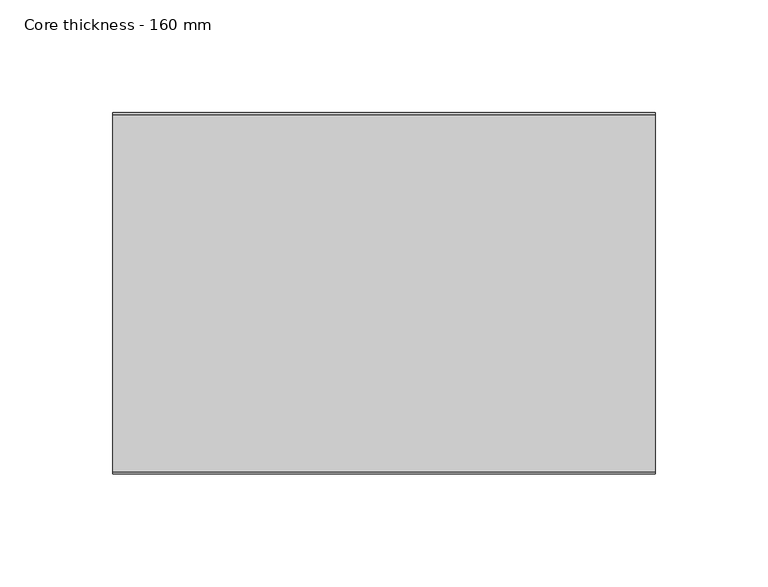
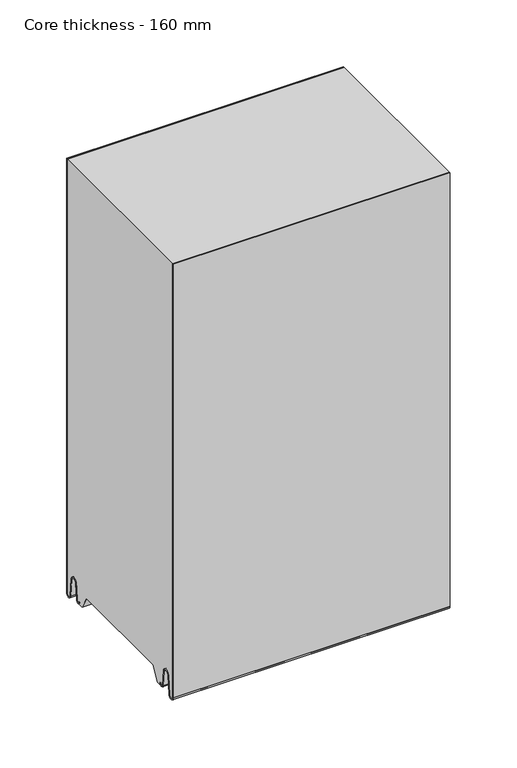
"""IFC4 building model written with IfcOpenShell, lengths in millimetres: plate geometry, Core thickness - 160 mm."""

from ifc_helpers import new_model, si_unit, frame, origin, place, context, project, spatial, polyline, circle_curve, source, transform, mapped, element, save
from ifc_brep_helpers import plane_surface, cylinder_surface, revolved_surface, advanced_brep


def core_thickness_160_mm_0a4e4643(model_context):
    return source(origin(), model_context, "Body", "AdvancedBrep", [
        advanced_brep(
        [(119.9999998, -159.9996949, 2.9900682), (119.9999998, -153.81449, 2.6875612), (119.9999998, -152.197116, 19.1828169), (119.9999998, -149.1776715, 21.8898782), (119.9999998, -146.1582271, 19.1828169), (119.9999998, -144.7725998, 5.0510966), (119.9999998, -140.3830995, 5.265779), (119.9999998, -141.1830995, 5.265779), (119.9999998, -143.9764178, 5.1291629), (119.9999998, -145.3620451, 19.2608832), (119.9999998, -149.1776715, 22.6899182), (119.9999998, -152.9932979, 19.2608832), (119.9999998, -154.6106719, 2.7656275), (119.9999998, -159.1996949, 2.9900682), (119.9999998, -159.2, 400.0), (119.9999998, -159.9996949, 400.0), (-119.9999998, -159.1996949, 2.9900682), (-119.9999998, -154.6106719, 2.7656275), (-119.9999998, -152.9932979, 19.2608832), (-119.9999998, -149.1776715, 22.6899182), (-119.9999998, -145.3620451, 19.2608832), (-119.9999998, -143.9764178, 5.1291629), (-119.9999998, -141.1830995, 5.265779), (-119.9999998, -140.3830995, 5.265779), (-119.9999998, -144.7725998, 5.0510966), (-119.9999998, -146.1582271, 19.1828169), (-119.9999998, -149.1776715, 21.8898782), (-119.9999998, -152.197116, 19.1828169), (-119.9999998, -153.81449, 2.6875612), (-119.9999998, -159.9996949, 2.9900682), (-119.9999998, -159.9996949, 400.0), (-119.9999998, -159.2, 400.0)],
        [
            (0, 1, circle_curve(frame((119.9999998, -156.8996949, 2.9900682), z_axis=(1.0, 0.0, 0.0), x_axis=(0.0, 0.0, -1.0)), 3.1)),
            (1, 2),
            (2, 3, circle_curve(frame((119.9999998, -149.2114338, 18.8900682), z_axis=(-1.0, 0.0, 0.0), x_axis=(0.0, 0.0, -1.0)), 3.0)),
            (3, 4, circle_curve(frame((119.9999998, -149.1439093, 18.8900682), z_axis=(-1.0, 0.0, 0.0), x_axis=(0.0, 0.0, -1.0)), 3.0)),
            (4, 5),
            (5, 6, circle_curve(frame((119.9999998, -142.5830995, 5.265779), z_axis=(1.0, 0.0, 0.0), x_axis=(0.0, 0.0, -1.0)), 2.2)),
            (6, 7),
            (7, 8, circle_curve(frame((119.9999998, -142.5830995, 5.265779), z_axis=(-1.0, 0.0, 0.0), x_axis=(0.0, 0.0, -1.0)), 1.4)),
            (8, 9),
            (9, 10, circle_curve(frame((119.9999998, -149.1439093, 18.8900682), z_axis=(1.0, 0.0, 0.0), x_axis=(0.0, 0.0, -1.0)), 3.8)),
            (10, 11, circle_curve(frame((119.9999998, -149.2114338, 18.8900682), z_axis=(1.0, 0.0, 0.0), x_axis=(0.0, 0.0, -1.0)), 3.8)),
            (11, 12),
            (12, 13, circle_curve(frame((119.9999998, -156.8996949, 2.9900682), z_axis=(-1.0, 0.0, 0.0), x_axis=(0.0, 0.0, -1.0)), 2.3)),
            (13, 14),
            (14, 15),
            (15, 0),
            (16, 17, circle_curve(frame((-119.9999998, -156.8996949, 2.9900682), z_axis=(1.0, 0.0, 0.0), x_axis=(0.0, 0.0, -1.0)), 2.3)),
            (17, 18),
            (18, 19, circle_curve(frame((-119.9999998, -149.2114338, 18.8900682), z_axis=(-1.0, 0.0, 0.0), x_axis=(0.0, 0.0, -1.0)), 3.8)),
            (19, 20, circle_curve(frame((-119.9999998, -149.1439093, 18.8900682), z_axis=(-1.0, 0.0, 0.0), x_axis=(0.0, 0.0, -1.0)), 3.8)),
            (20, 21),
            (21, 22, circle_curve(frame((-119.9999998, -142.5830995, 5.265779), z_axis=(1.0, 0.0, 0.0), x_axis=(0.0, 0.0, -1.0)), 1.4)),
            (22, 23),
            (23, 24, circle_curve(frame((-119.9999998, -142.5830995, 5.265779), z_axis=(-1.0, 0.0, 0.0), x_axis=(0.0, 0.0, -1.0)), 2.2)),
            (24, 25),
            (25, 26, circle_curve(frame((-119.9999998, -149.1439093, 18.8900682), z_axis=(1.0, 0.0, 0.0), x_axis=(0.0, 0.0, -1.0)), 3.0)),
            (26, 27, circle_curve(frame((-119.9999998, -149.2114338, 18.8900682), z_axis=(1.0, 0.0, 0.0), x_axis=(0.0, 0.0, -1.0)), 3.0)),
            (27, 28),
            (28, 29, circle_curve(frame((-119.9999998, -156.8996949, 2.9900682), z_axis=(-1.0, 0.0, 0.0), x_axis=(0.0, 0.0, -1.0)), 3.1)),
            (29, 30),
            (30, 31),
            (31, 16),
            (13, 16),
            (31, 14),
            (29, 0),
            (15, 30),
            (12, 17),
            (11, 18),
            (10, 19),
            (9, 20),
            (8, 21),
            (7, 22),
            (6, 23),
            (5, 24),
            (4, 25),
            (3, 26),
            (2, 27),
            (1, 28),
        ],
        [
            plane_surface(frame((119.9999998, -160.0, 0.0), z_axis=(1.0, 0.0, 0.0), x_axis=(0.0, 1.0, 0.0))),
            plane_surface(frame((-119.9999998, -160.0, 0.0), z_axis=(-1.0, 0.0, 0.0), x_axis=(0.0, 1.0, 0.0))),
            plane_surface(frame((119.9999998, -159.2, 2.9900682), z_axis=(0.0, 1.0, 0.0), x_axis=(-1.0, 0.0, 0.0))),
            plane_surface(frame((119.9999998, -159.9996949, 1093.8000005), z_axis=(0.0, -1.0, 0.0), x_axis=(-1.0, 0.0, 0.0))),
            revolved_surface(polyline([(-119.9999998, -156.8996949, 0.6900682000000002), (119.9999998, -156.8996949, 0.6900682000000002)]), (119.9999998, -156.8996949, 2.9900682), (-1.0, 0.0, 0.0)),
            plane_surface(frame((119.9999998, -152.9932979, 19.2608832), z_axis=(0.0, -0.9952273999818314, 0.09758289975914787), x_axis=(-1.0, 0.0, 0.0))),
            cylinder_surface(frame((119.9999998, -149.2114338, 18.8900682), z_axis=(1.0, 0.0, 0.0), x_axis=(0.0, 0.0, -1.0)), 3.8),
            cylinder_surface(frame((119.9999998, -149.1439093, 18.8900682), z_axis=(1.0, 0.0, 0.0), x_axis=(0.0, 0.0, -1.0)), 3.8),
            plane_surface(frame((119.9999998, -143.9764178, 5.1291629), z_axis=(0.0, 0.9952273999818297, 0.09758289975916531), x_axis=(-1.0, 0.0, 0.0))),
            revolved_surface(polyline([(-119.9999998, -142.5830995, 3.8657790000000003), (119.9999998, -142.5830995, 3.8657790000000003)]), (119.9999998, -142.5830995, 5.265779), (-1.0, 0.0, 0.0)),
            plane_surface(frame((119.9999998, -140.3830995, 5.265779), z_axis=(0.0, 0.0, 1.0), x_axis=(-1.0, 0.0, 0.0))),
            cylinder_surface(frame((119.9999998, -142.5830995, 5.265779), z_axis=(1.0, 0.0, 0.0), x_axis=(0.0, 0.0, -1.0)), 2.2),
            plane_surface(frame((119.9999998, -146.1582271, 19.1828169), z_axis=(0.0, -0.9952273999818296, -0.09758289975916527), x_axis=(-1.0, 0.0, 0.0))),
            revolved_surface(polyline([(-119.9999998, -149.1439093, 15.890068200000002), (119.9999998, -149.1439093, 15.890068200000002)]), (119.9999998, -149.1439093, 18.8900682), (-1.0, 0.0, 0.0)),
            revolved_surface(polyline([(-119.9999998, -149.2114338, 15.890068200000002), (119.9999998, -149.2114338, 15.890068200000002)]), (119.9999998, -149.2114338, 18.8900682), (-1.0, 0.0, 0.0)),
            plane_surface(frame((119.9999998, -153.81449, 2.6875612), z_axis=(0.0, 0.9952273999818314, -0.09758289975914787), x_axis=(-1.0, 0.0, 0.0))),
            cylinder_surface(frame((119.9999998, -156.8996949, 2.9900682), z_axis=(1.0, 0.0, 0.0), x_axis=(0.0, 0.0, -1.0)), 3.1),
            plane_surface(frame((-119.9999998, 134.0533409, 400.0), z_axis=(0.0, 0.0, 1.0), x_axis=(1.0, 0.0, 0.0))),
        ],
        [
            (0, [[1, 2, 3, 4, 5, 6, 7, 8, 9, 10, 11, 12, 13, 14, 15, 16]]),
            (1, [[17, 18, 19, 20, 21, 22, 23, 24, 25, 26, 27, 28, 29, 30, 31, 32]]),
            (2, [[33, -32, 34, -14]]),
            (3, [[35, -16, 36, -30]]),
            (4, [[-13, 37, -17, -33]]),
            (5, [[-12, 38, -18, -37]]),
            (6, [[-11, 39, -19, -38]]),
            (7, [[-10, 40, -20, -39]]),
            (8, [[-9, 41, -21, -40]]),
            (9, [[-8, 42, -22, -41]]),
            (10, [[-7, 43, -23, -42]]),
            (11, [[-6, 44, -24, -43]]),
            (12, [[-5, 45, -25, -44]]),
            (13, [[-4, 46, -26, -45]]),
            (14, [[-3, 47, -27, -46]]),
            (15, [[-2, 48, -28, -47]]),
            (16, [[-1, -35, -29, -48]]),
            (17, [[-15, -34, -31, -36]]),
        ],
    ),
        advanced_brep(
        [(119.9999998, -0.8003051, 2.9900682), (119.9999998, -5.3893281, 2.7656275), (119.9999998, -7.0067021, 19.2608832), (119.9999998, -10.8223285, 22.6899182), (119.9999998, -14.6379549, 19.2608832), (119.9999998, -16.0235822, 5.1291629), (119.9999998, -18.8169005, 5.265779), (119.9999998, -19.6169005, 5.265779), (119.9999998, -15.2274002, 5.0510966), (119.9999998, -13.8417729, 19.1828169), (119.9999998, -10.8223285, 21.8898782), (119.9999998, -7.802884, 19.1828169), (119.9999998, -6.18551, 2.6875612), (119.9999998, -0.0003051, 2.9900682), (119.9999998, -0.0003051, 400.0), (119.9999998, -0.8, 400.0), (-119.9999998, -0.0003051, 2.9900682), (-119.9999998, -6.18551, 2.6875612), (-119.9999998, -7.802884, 19.1828169), (-119.9999998, -10.8223285, 21.8898782), (-119.9999998, -13.8417729, 19.1828169), (-119.9999998, -15.2274002, 5.0510966), (-119.9999998, -19.6169005, 5.265779), (-119.9999998, -18.8169005, 5.265779), (-119.9999998, -16.0235822, 5.1291629), (-119.9999998, -14.6379549, 19.2608832), (-119.9999998, -10.8223285, 22.6899182), (-119.9999998, -7.0067021, 19.2608832), (-119.9999998, -5.3893281, 2.7656275), (-119.9999998, -0.8003051, 2.9900682), (-119.9999998, -0.8, 400.0), (-119.9999998, -0.0003051, 400.0)],
        [
            (0, 1, circle_curve(frame((119.9999998, -3.1003051, 2.9900682), z_axis=(-1.0, 0.0, 0.0), x_axis=(0.0, 0.0, -1.0)), 2.3)),
            (1, 2),
            (2, 3, circle_curve(frame((119.9999998, -10.7885662, 18.8900682), z_axis=(1.0, 0.0, 0.0), x_axis=(0.0, 0.0, -1.0)), 3.8)),
            (3, 4, circle_curve(frame((119.9999998, -10.8560907, 18.8900682), z_axis=(1.0, 0.0, 0.0), x_axis=(0.0, 0.0, -1.0)), 3.8)),
            (4, 5),
            (5, 6, circle_curve(frame((119.9999998, -17.4169005, 5.265779), z_axis=(-1.0, 0.0, 0.0), x_axis=(0.0, 0.0, -1.0)), 1.4)),
            (6, 7),
            (7, 8, circle_curve(frame((119.9999998, -17.4169005, 5.265779), z_axis=(1.0, 0.0, 0.0), x_axis=(0.0, 0.0, -1.0)), 2.2)),
            (8, 9),
            (9, 10, circle_curve(frame((119.9999998, -10.8560907, 18.8900682), z_axis=(-1.0, 0.0, 0.0), x_axis=(0.0, 0.0, -1.0)), 3.0)),
            (10, 11, circle_curve(frame((119.9999998, -10.7885662, 18.8900682), z_axis=(-1.0, 0.0, 0.0), x_axis=(0.0, 0.0, -1.0)), 3.0)),
            (11, 12),
            (12, 13, circle_curve(frame((119.9999998, -3.1003051, 2.9900682), z_axis=(1.0, 0.0, 0.0), x_axis=(0.0, 0.0, -1.0)), 3.1)),
            (13, 14),
            (14, 15),
            (15, 0),
            (16, 17, circle_curve(frame((-119.9999998, -3.1003051, 2.9900682), z_axis=(-1.0, 0.0, 0.0), x_axis=(0.0, 0.0, -1.0)), 3.1)),
            (17, 18),
            (18, 19, circle_curve(frame((-119.9999998, -10.7885662, 18.8900682), z_axis=(1.0, 0.0, 0.0), x_axis=(0.0, 0.0, -1.0)), 3.0)),
            (19, 20, circle_curve(frame((-119.9999998, -10.8560907, 18.8900682), z_axis=(1.0, 0.0, 0.0), x_axis=(0.0, 0.0, -1.0)), 3.0)),
            (20, 21),
            (21, 22, circle_curve(frame((-119.9999998, -17.4169005, 5.265779), z_axis=(-1.0, 0.0, 0.0), x_axis=(0.0, 0.0, -1.0)), 2.2)),
            (22, 23),
            (23, 24, circle_curve(frame((-119.9999998, -17.4169005, 5.265779), z_axis=(1.0, 0.0, 0.0), x_axis=(0.0, 0.0, -1.0)), 1.4)),
            (24, 25),
            (25, 26, circle_curve(frame((-119.9999998, -10.8560907, 18.8900682), z_axis=(-1.0, 0.0, 0.0), x_axis=(0.0, 0.0, -1.0)), 3.8)),
            (26, 27, circle_curve(frame((-119.9999998, -10.7885662, 18.8900682), z_axis=(-1.0, 0.0, 0.0), x_axis=(0.0, 0.0, -1.0)), 3.8)),
            (27, 28),
            (28, 29, circle_curve(frame((-119.9999998, -3.1003051, 2.9900682), z_axis=(1.0, 0.0, 0.0), x_axis=(0.0, 0.0, -1.0)), 2.3)),
            (29, 30),
            (30, 31),
            (31, 16),
            (13, 16),
            (31, 14),
            (29, 0),
            (15, 30),
            (12, 17),
            (11, 18),
            (10, 19),
            (9, 20),
            (8, 21),
            (7, 22),
            (6, 23),
            (5, 24),
            (4, 25),
            (3, 26),
            (2, 27),
            (1, 28),
        ],
        [
            plane_surface(frame((119.9999998, 0.0, 0.0), z_axis=(1.0, 0.0, 0.0), x_axis=(0.0, -1.0, 0.0))),
            plane_surface(frame((-119.9999998, 0.0, 0.0), z_axis=(-1.0, 0.0, 0.0), x_axis=(0.0, -1.0, 0.0))),
            plane_surface(frame((119.9999998, -0.0003051, 2.9900682), z_axis=(0.0, 1.0, 0.0), x_axis=(-1.0, 0.0, 0.0))),
            plane_surface(frame((119.9999998, -0.8, 1093.8000005), z_axis=(0.0, -1.0, 0.0), x_axis=(-1.0, 0.0, 0.0))),
            cylinder_surface(frame((119.9999998, -3.1003051, 2.9900682), z_axis=(1.0, 0.0, 0.0), x_axis=(0.0, 0.0, -1.0)), 3.1),
            plane_surface(frame((119.9999998, -7.802884, 19.1828169), z_axis=(0.0, -0.9952273999818314, -0.09758289975914787), x_axis=(-1.0, 0.0, 0.0))),
            revolved_surface(polyline([(-119.9999998, -10.7885662, 15.890068200000002), (119.9999998, -10.7885662, 15.890068200000002)]), (119.9999998, -10.7885662, 18.8900682), (-1.0, 0.0, 0.0)),
            revolved_surface(polyline([(-119.9999998, -10.8560907, 15.890068200000002), (119.9999998, -10.8560907, 15.890068200000002)]), (119.9999998, -10.8560907, 18.8900682), (-1.0, 0.0, 0.0)),
            plane_surface(frame((119.9999998, -15.2274002, 5.0510966), z_axis=(0.0, 0.9952273999818296, -0.09758289975916527), x_axis=(-1.0, 0.0, 0.0))),
            cylinder_surface(frame((119.9999998, -17.4169005, 5.265779), z_axis=(1.0, 0.0, 0.0), x_axis=(0.0, 0.0, -1.0)), 2.2),
            plane_surface(frame((119.9999998, -18.8169005, 5.265779), z_axis=(0.0, 0.0, 1.0), x_axis=(-1.0, 0.0, 0.0))),
            revolved_surface(polyline([(-119.9999998, -17.4169005, 3.8657790000000003), (119.9999998, -17.4169005, 3.8657790000000003)]), (119.9999998, -17.4169005, 5.265779), (-1.0, 0.0, 0.0)),
            plane_surface(frame((119.9999998, -14.6379549, 19.2608832), z_axis=(0.0, -0.9952273999818297, 0.09758289975916531), x_axis=(-1.0, 0.0, 0.0))),
            cylinder_surface(frame((119.9999998, -10.8560907, 18.8900682), z_axis=(1.0, 0.0, 0.0), x_axis=(0.0, 0.0, -1.0)), 3.8),
            cylinder_surface(frame((119.9999998, -10.7885662, 18.8900682), z_axis=(1.0, 0.0, 0.0), x_axis=(0.0, 0.0, -1.0)), 3.8),
            plane_surface(frame((119.9999998, -5.3893281, 2.7656275), z_axis=(0.0, 0.9952273999818314, 0.09758289975914787), x_axis=(-1.0, 0.0, 0.0))),
            revolved_surface(polyline([(-119.9999998, -3.1003051, 0.6900682000000002), (119.9999998, -3.1003051, 0.6900682000000002)]), (119.9999998, -3.1003051, 2.9900682), (-1.0, 0.0, 0.0)),
            plane_surface(frame((-119.9999998, 134.0533409, 400.0), z_axis=(0.0, 0.0, 1.0), x_axis=(1.0, 0.0, 0.0))),
        ],
        [
            (0, [[1, 2, 3, 4, 5, 6, 7, 8, 9, 10, 11, 12, 13, 14, 15, 16]]),
            (1, [[17, 18, 19, 20, 21, 22, 23, 24, 25, 26, 27, 28, 29, 30, 31, 32]]),
            (2, [[33, -32, 34, -14]]),
            (3, [[35, -16, 36, -30]]),
            (4, [[-13, 37, -17, -33]]),
            (5, [[-12, 38, -18, -37]]),
            (6, [[-11, 39, -19, -38]]),
            (7, [[-10, 40, -20, -39]]),
            (8, [[-9, 41, -21, -40]]),
            (9, [[-8, 42, -22, -41]]),
            (10, [[-7, 43, -23, -42]]),
            (11, [[-6, 44, -24, -43]]),
            (12, [[-5, 45, -25, -44]]),
            (13, [[-4, 46, -26, -45]]),
            (14, [[-3, 47, -27, -46]]),
            (15, [[-2, 48, -28, -47]]),
            (16, [[-1, -35, -29, -48]]),
            (17, [[-15, -34, -31, -36]]),
        ],
    ),
        advanced_brep(
        [(119.9999998, -129.873448, 15.0417681), (119.9999998, -30.126552, 15.0417681), (119.9999998, -23.4086055, 3.0684055), (119.9999998, -17.4169005, 3.0684055), (119.9999998, -19.6169005, 5.265779), (119.9999998, -18.8169005, 5.265779), (119.9999998, -16.0235822, 5.1291629), (119.9999998, -14.6379549, 19.2608832), (119.9999998, -10.8223285, 22.6899182), (119.9999998, -7.0067021, 19.2608832), (119.9999998, -5.3893281, 2.7656275), (119.9999998, -0.8003051, 2.9900682), (119.9999998, -0.8, 400.0), (119.9999998, -159.2, 400.0), (119.9999998, -159.2, 2.9900682), (119.9999998, -154.6106719, 2.7656275), (119.9999998, -152.9932979, 19.2608832), (119.9999998, -149.1776715, 22.6899182), (119.9999998, -145.3620451, 19.2608832), (119.9999998, -143.9764178, 5.1291629), (119.9999998, -141.1830995, 5.265779), (119.9999998, -140.3830995, 5.265779), (119.9999998, -142.5830995, 3.065779), (119.9999998, -136.5913945, 3.0684055), (-119.9999998, -30.126552, 15.0417681), (-119.9999998, -129.873448, 15.0417681), (-119.9999998, -136.5913945, 3.0684055), (-119.9999998, -142.5830995, 3.0684055), (-119.9999998, -140.3830995, 5.265779), (-119.9999998, -141.1830995, 5.265779), (-119.9999998, -143.9764178, 5.1291629), (-119.9999998, -145.3620451, 19.2608832), (-119.9999998, -149.1776715, 22.6899182), (-119.9999998, -152.9932979, 19.2608832), (-119.9999998, -154.6106719, 2.7656275), (-119.9999998, -159.1996949, 2.9900682), (-119.9999998, -159.2, 400.0), (-119.9999998, -0.8, 400.0), (-119.9999998, -0.8, 2.9900682), (-119.9999998, -5.3893281, 2.7656275), (-119.9999998, -7.0067021, 19.2608832), (-119.9999998, -10.8223285, 22.6899182), (-119.9999998, -14.6379549, 19.2608832), (-119.9999998, -16.0235822, 5.1291629), (-119.9999998, -18.8169005, 5.265779), (-119.9999998, -19.6169005, 5.265779), (-119.9999998, -17.4169005, 3.065779), (-119.9999998, -23.4086055, 3.0684055)],
        [
            (0, 1),
            (1, 2),
            (2, 3),
            (3, 4, circle_curve(frame((119.9999998, -17.4169005, 5.265779), z_axis=(-1.0, 0.0, 0.0), x_axis=(0.0, 0.0, -1.0)), 2.2)),
            (4, 5),
            (5, 6, circle_curve(frame((119.9999998, -17.4169005, 5.265779), z_axis=(1.0, 0.0, 0.0), x_axis=(0.0, 0.0, -1.0)), 1.4)),
            (6, 7),
            (7, 8, circle_curve(frame((119.9999998, -10.8560907, 18.8900682), z_axis=(-1.0, 0.0, 0.0), x_axis=(0.0, 0.0, -1.0)), 3.8)),
            (8, 9, circle_curve(frame((119.9999998, -10.7885662, 18.8900682), z_axis=(-1.0, 0.0, 0.0), x_axis=(0.0, 0.0, -1.0)), 3.8)),
            (9, 10),
            (10, 11, circle_curve(frame((119.9999998, -3.1003051, 2.9900682), z_axis=(1.0, 0.0, 0.0), x_axis=(0.0, 0.0, -1.0)), 2.3)),
            (11, 12),
            (12, 13),
            (13, 14),
            (14, 15, circle_curve(frame((119.9999998, -156.8996949, 2.9900682), z_axis=(1.0, 0.0, 0.0), x_axis=(0.0, 0.0, -1.0)), 2.3)),
            (15, 16),
            (16, 17, circle_curve(frame((119.9999998, -149.2114338, 18.8900682), z_axis=(-1.0, 0.0, 0.0), x_axis=(0.0, 0.0, -1.0)), 3.8)),
            (17, 18, circle_curve(frame((119.9999998, -149.1439093, 18.8900682), z_axis=(-1.0, 0.0, 0.0), x_axis=(0.0, 0.0, -1.0)), 3.8)),
            (18, 19),
            (19, 20, circle_curve(frame((119.9999998, -142.5830995, 5.265779), z_axis=(1.0, 0.0, 0.0), x_axis=(0.0, 0.0, -1.0)), 1.4)),
            (20, 21),
            (21, 22, circle_curve(frame((119.9999998, -142.5830995, 5.265779), z_axis=(-1.0, 0.0, 0.0), x_axis=(0.0, 0.0, -1.0)), 2.2)),
            (22, 23),
            (23, 0),
            (24, 25),
            (25, 26),
            (26, 27),
            (27, 28, circle_curve(frame((-119.9999998, -142.5830995, 5.265779), z_axis=(1.0, 0.0, 0.0), x_axis=(0.0, 0.0, -1.0)), 2.2)),
            (28, 29),
            (29, 30, circle_curve(frame((-119.9999998, -142.5830995, 5.265779), z_axis=(-1.0, 0.0, 0.0), x_axis=(0.0, 0.0, -1.0)), 1.4)),
            (30, 31),
            (31, 32, circle_curve(frame((-119.9999998, -149.1439093, 18.8900682), z_axis=(1.0, 0.0, 0.0), x_axis=(0.0, 0.0, -1.0)), 3.8)),
            (32, 33, circle_curve(frame((-119.9999998, -149.2114338, 18.8900682), z_axis=(1.0, 0.0, 0.0), x_axis=(0.0, 0.0, -1.0)), 3.8)),
            (33, 34),
            (34, 35, circle_curve(frame((-119.9999998, -156.8996949, 2.9900682), z_axis=(-1.0, 0.0, 0.0), x_axis=(0.0, 0.0, -1.0)), 2.3)),
            (35, 36),
            (36, 37),
            (37, 38),
            (38, 39, circle_curve(frame((-119.9999998, -3.1003051, 2.9900682), z_axis=(-1.0, 0.0, 0.0), x_axis=(0.0, 0.0, -1.0)), 2.3)),
            (39, 40),
            (40, 41, circle_curve(frame((-119.9999998, -10.7885662, 18.8900682), z_axis=(1.0, 0.0, 0.0), x_axis=(0.0, 0.0, -1.0)), 3.8)),
            (41, 42, circle_curve(frame((-119.9999998, -10.8560907, 18.8900682), z_axis=(1.0, 0.0, 0.0), x_axis=(0.0, 0.0, -1.0)), 3.8)),
            (42, 43),
            (43, 44, circle_curve(frame((-119.9999998, -17.4169005, 5.265779), z_axis=(-1.0, 0.0, 0.0), x_axis=(0.0, 0.0, -1.0)), 1.4)),
            (44, 45),
            (45, 46, circle_curve(frame((-119.9999998, -17.4169005, 5.265779), z_axis=(1.0, 0.0, 0.0), x_axis=(0.0, 0.0, -1.0)), 2.2)),
            (46, 47),
            (47, 24),
            (1, 24),
            (47, 2),
            (0, 25),
            (23, 26),
            (46, 3),
            (22, 27),
            (35, 14),
            (13, 36),
            (34, 15),
            (33, 16),
            (32, 17),
            (31, 18),
            (30, 19),
            (29, 20),
            (28, 21),
            (12, 37),
            (11, 38),
            (45, 4),
            (44, 5),
            (43, 6),
            (42, 7),
            (41, 8),
            (40, 9),
            (39, 10),
        ],
        [
            plane_surface(frame((119.9999998, 0.0, 0.0), z_axis=(1.0, 0.0, 0.0), x_axis=(0.0, -1.0, 0.0))),
            plane_surface(frame((-119.9999998, 0.0, 0.0), z_axis=(-1.0, 0.0, 0.0), x_axis=(0.0, -1.0, 0.0))),
            plane_surface(frame((119.9999998, -30.126552, 15.0417681), z_axis=(0.0, -0.8721062992196836, -0.4893164649399687), x_axis=(-1.0, 0.0, 0.0))),
            plane_surface(frame((119.9999998, -129.873448, 15.0417681), z_axis=(0.0, 0.0, -1.0), x_axis=(-1.0, 0.0, 0.0))),
            plane_surface(frame((119.9999998, -136.8190247, 2.6627014), z_axis=(0.0, 0.8721062992196852, -0.48931646493996606), x_axis=(-1.0, 0.0, 0.0))),
            plane_surface(frame((-119.9999998, -142.5830995, 3.0684055), z_axis=(0.0, 0.0, -1.0), x_axis=(1.0, 0.0, 0.0))),
            plane_surface(frame((249.9999998, -159.2, 2.9900682), z_axis=(0.0, -1.0, 0.0), x_axis=(-1.0, 0.0, 0.0))),
            cylinder_surface(frame((249.9999998, -156.8996949, 2.9900682), z_axis=(-1.0, 0.0, 0.0), x_axis=(0.0, 0.0, -1.0)), 2.3),
            plane_surface(frame((249.9999998, -152.9932979, 19.2608832), z_axis=(0.0, 0.9952273999818314, -0.09758289975914787), x_axis=(-1.0, 0.0, 0.0))),
            revolved_surface(polyline([(119.99999980000001, -149.2114338, 15.090068200000001), (-119.99999980000001, -149.2114338, 15.090068200000001)]), (249.9999998, -149.2114338, 18.8900682), (1.0, 0.0, 0.0)),
            revolved_surface(polyline([(119.99999980000001, -149.1439093, 15.090068200000001), (-119.99999980000001, -149.1439093, 15.090068200000001)]), (249.9999998, -149.1439093, 18.8900682), (1.0, 0.0, 0.0)),
            plane_surface(frame((249.9999998, -143.9764178, 5.1291629), z_axis=(0.0, -0.9952273999818297, -0.09758289975916531), x_axis=(-1.0, 0.0, 0.0))),
            cylinder_surface(frame((249.9999998, -142.5830995, 5.265779), z_axis=(-1.0, 0.0, 0.0), x_axis=(0.0, 0.0, -1.0)), 1.4),
            plane_surface(frame((249.9999998, -140.3830995, 5.265779), z_axis=(0.0, 0.0, -1.0), x_axis=(-1.0, 0.0, 0.0))),
            revolved_surface(polyline([(119.99999980000001, -142.5830995, 3.065779), (-119.99999980000001, -142.5830995, 3.065779)]), (249.9999998, -142.5830995, 5.265779), (1.0, 0.0, 0.0)),
            plane_surface(frame((-119.9999998, 134.0533409, 400.0), z_axis=(0.0, 0.0, 1.0), x_axis=(1.0, 0.0, 0.0))),
            plane_surface(frame((249.9999998, -0.8, 1093.8000005), z_axis=(0.0, 1.0, 0.0), x_axis=(-1.0, 0.0, 0.0))),
            revolved_surface(polyline([(119.99999980000001, -17.4169005, 3.065779), (-119.99999980000001, -17.4169005, 3.065779)]), (249.9999998, -17.4169005, 5.265779), (1.0, 0.0, 0.0)),
            plane_surface(frame((249.9999998, -18.8169005, 5.265779), z_axis=(0.0, 0.0, -1.0), x_axis=(-1.0, 0.0, 0.0))),
            cylinder_surface(frame((249.9999998, -17.4169005, 5.265779), z_axis=(-1.0, 0.0, 0.0), x_axis=(0.0, 0.0, -1.0)), 1.4),
            plane_surface(frame((249.9999998, -14.6379549, 19.2608832), z_axis=(0.0, 0.9952273999818297, -0.09758289975916531), x_axis=(-1.0, 0.0, 0.0))),
            revolved_surface(polyline([(119.99999980000001, -10.8560907, 15.090068200000001), (-119.99999980000001, -10.8560907, 15.090068200000001)]), (249.9999998, -10.8560907, 18.8900682), (1.0, 0.0, 0.0)),
            revolved_surface(polyline([(119.99999980000001, -10.7885662, 15.090068200000001), (-119.99999980000001, -10.7885662, 15.090068200000001)]), (249.9999998, -10.7885662, 18.8900682), (1.0, 0.0, 0.0)),
            plane_surface(frame((249.9999998, -5.3893281, 2.7656275), z_axis=(0.0, -0.9952273999818314, -0.09758289975914787), x_axis=(-1.0, 0.0, 0.0))),
            cylinder_surface(frame((249.9999998, -3.1003051, 2.9900682), z_axis=(-1.0, 0.0, 0.0), x_axis=(0.0, 0.0, -1.0)), 2.3),
        ],
        [
            (0, [[1, 2, 3, 4, 5, 6, 7, 8, 9, 10, 11, 12, 13, 14, 15, 16, 17, 18, 19, 20, 21, 22, 23, 24]]),
            (1, [[25, 26, 27, 28, 29, 30, 31, 32, 33, 34, 35, 36, 37, 38, 39, 40, 41, 42, 43, 44, 45, 46, 47, 48]]),
            (2, [[49, -48, 50, -2]]),
            (3, [[-1, 51, -25, -49]]),
            (4, [[-51, -24, 52, -26]]),
            (5, [[-3, -50, -47, 53]]),
            (5, [[-23, 54, -27, -52]]),
            (6, [[55, -14, 56, -36]]),
            (7, [[-55, -35, 57, -15]]),
            (8, [[-57, -34, 58, -16]]),
            (9, [[-58, -33, 59, -17]]),
            (10, [[-59, -32, 60, -18]]),
            (11, [[-60, -31, 61, -19]]),
            (12, [[-61, -30, 62, -20]]),
            (13, [[-62, -29, 63, -21]]),
            (14, [[-63, -28, -54, -22]]),
            (15, [[64, -37, -56, -13]]),
            (16, [[65, -38, -64, -12]]),
            (17, [[66, -4, -53, -46]]),
            (18, [[-66, -45, 67, -5]]),
            (19, [[-67, -44, 68, -6]]),
            (20, [[-68, -43, 69, -7]]),
            (21, [[-69, -42, 70, -8]]),
            (22, [[-70, -41, 71, -9]]),
            (23, [[-71, -40, 72, -10]]),
            (24, [[-72, -39, -65, -11]]),
        ],
    ),
    ])


if __name__ == "__main__":
    model = new_model("IFC4")
    model_context = context("Model", 3, world=origin())
    ifc_project = project(units=[si_unit("LENGTHUNIT", "METRE", prefix="MILLI")], contexts=[model_context])
    site = spatial("IfcSite", under=ifc_project)
    building = spatial("IfcBuilding", under=site)
    placement = place(None, origin())
    core_thickness_160_mm_shape = core_thickness_160_mm_0a4e4643(model_context)
    element("IfcPlate", 1, ObjectType="Core thickness - 160 mm", at=placement, inside=building, context=model_context, shape_type="MappedRepresentation", body=[
        mapped(core_thickness_160_mm_shape, transform((0.0, 0.0, 0.0), x_axis=(1.0, 0.0, 0.0), y_axis=(0.0, 1.0, 0.0), z_axis=(0.0, 0.0, 1.0))),
    ])
    save(model, "model.ifc")
